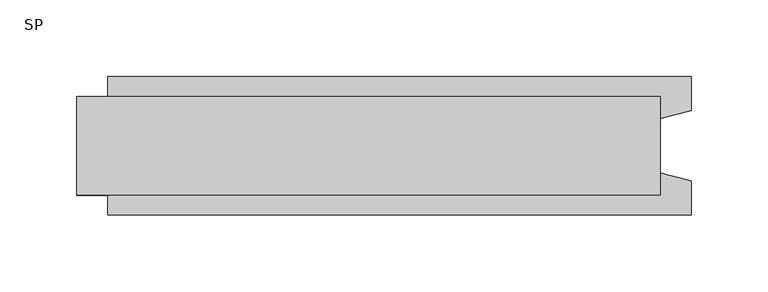
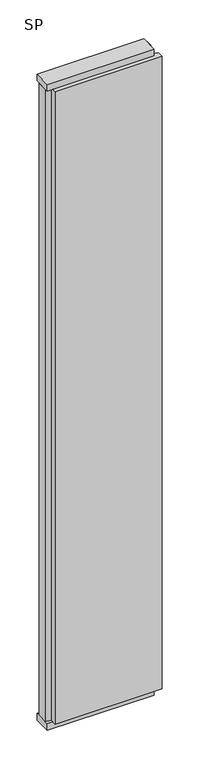
"""IFC4 building model written with IfcOpenShell, lengths in millimetres: plate geometry, SP."""

from ifc_helpers import new_model, si_unit, frame, origin, origin_with_axes, place, context, project, spatial, polyline, outline, extrude, source, transform, mapped, element, save


def sp_61966974(model_context):
    return source(origin(), model_context, "Body", "SweptSolid", [
        extrude(outline(polyline([(190.0, 32.0), (190.0, -32.0), (-190.0, -32.0), (-190.0, 32.0), (190.0, 32.0)])), origin_with_axes(), (0.0, 0.0, 1.0), 25.0),
        extrude(outline(polyline([(190.0, 32.0), (190.0, -32.0), (-190.0, -32.0), (-190.0, 32.0), (190.0, 32.0)])), frame((0.0, 0.0, 2402.0), z_axis=(0.0, 0.0, 1.0), x_axis=(1.0, 0.0, 0.0)), (0.0, 0.0, 1.0), 25.0),
        extrude(outline(polyline([(210.0, 45.0), (210.0, 22.9993165), (190.0, 17.6401049), (190.0, -17.6401049), (210.0, -22.9993165), (210.0, -45.0), (-170.0, -45.0), (-170.0, -22.9993165), (-190.0, -17.6401049), (-190.0, 17.6401049), (-170.0, 22.9993165), (-170.0, 45.0), (210.0, 45.0)])), frame((0.0, 0.0, 25.0), z_axis=(0.0, 0.0, 1.0), x_axis=(1.0, 0.0, 0.0)), (0.0, 0.0, 1.0), 2377.0),
    ])


if __name__ == "__main__":
    model = new_model("IFC4")
    model_context = context("Model", 3, world=origin())
    ifc_project = project(units=[si_unit("LENGTHUNIT", "METRE", prefix="MILLI")], contexts=[model_context])
    site = spatial("IfcSite", under=ifc_project)
    building = spatial("IfcBuilding", under=site)
    placement = place(None, origin())
    sp_shape = sp_61966974(model_context)
    element("IfcPlate", 1, ObjectType="SP", at=placement, inside=building, context=model_context, shape_type="MappedRepresentation", body=[
        mapped(sp_shape, transform((0.0, 0.0, 0.0), x_axis=(1.0, 0.0, 0.0), y_axis=(0.0, 1.0, 0.0), z_axis=(0.0, 0.0, 1.0))),
    ])
    save(model, "model.ifc")
